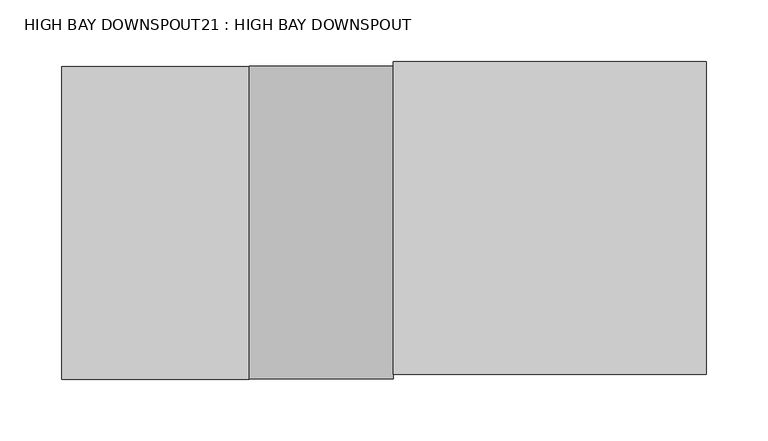
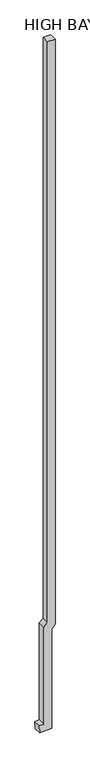
"""IFC4 building model written with IfcOpenShell, lengths in millimetres: proxy geometry, HIGH BAY DOWNSPOUT21 : HIGH BAY DOWNSPOUT."""

from ifc_helpers import new_model, si_unit, frame, origin, place, context, project, spatial, polyline, outline, extrude, source, transform, mapped, element, save


def high_bay_downspout21_high_bay_downspout_4de9a8a9(model_context):
    return source(origin(), model_context, "Body", "SweptSolid", [
        extrude(outline(polyline([(3739.8227898, 383855.6673809), (24326.9422154, 383855.6673809), (24326.9422154, 383601.6673809), (3889.1752448, 383601.6673809), (3772.3352448, 383484.8273809), (364.6303549, 383484.8273809), (355.1053549, 383332.4273809), (101.6, 383348.2714656), (126.0097447, 383738.8273809), (3622.9827898, 383738.8273809), (3739.8227898, 383855.6673809)])), frame((0.0, 20594.7132308, 0.0), z_axis=(0.0, 1.0, 0.0), x_axis=(0.0, 0.0, 1.0)), (0.0, 0.0, 1.0), 254.0),
    ])


if __name__ == "__main__":
    model = new_model("IFC4")
    model_context = context("Model", 3, world=origin())
    ifc_project = project(units=[si_unit("LENGTHUNIT", "METRE", prefix="MILLI")], contexts=[model_context])
    site = spatial("IfcSite", under=ifc_project)
    building = spatial("IfcBuilding", under=site)
    placement = place(None, origin())
    high_bay_downspout21_high_bay_downspout_shape = high_bay_downspout21_high_bay_downspout_4de9a8a9(model_context)
    element("IfcBuildingElementProxy", 1, Name="HIGH BAY DOWNSPOUT21 : HIGH BAY DOWNSPOUT", ObjectType="HIGH BAY DOWNSPOUT21 : HIGH BAY DOWNSPOUT", at=placement, inside=building, context=model_context, shape_type="MappedRepresentation", body=[
        mapped(high_bay_downspout21_high_bay_downspout_shape, transform((0.0, 0.0, 0.0), x_axis=(1.0, 0.0, 0.0), y_axis=(0.0, 1.0, 0.0), z_axis=(0.0, 0.0, 1.0))),
    ])
    save(model, "model.ifc")
